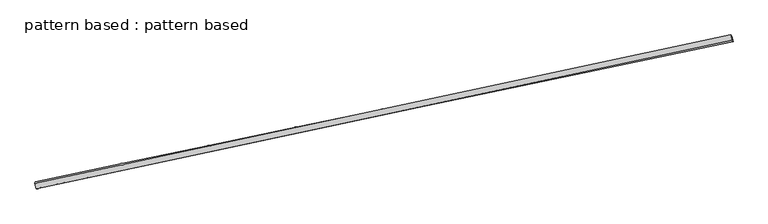
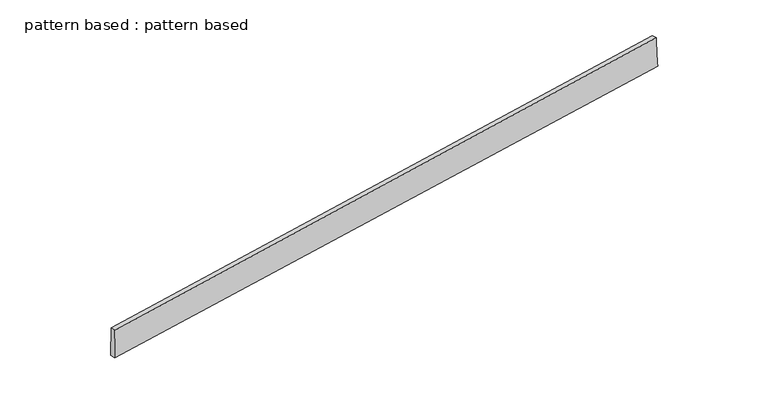
"""IFC4 building model written with IfcOpenShell, lengths in millimetres: plate geometry, pattern based : pattern based."""

from ifc_helpers import new_model, si_unit, frame, origin, place, context, project, spatial, source, transform, mapped, element, save
from ifc_brep_helpers import plane_surface, spline_surface, advanced_brep


def pattern_based_pattern_based_1f810fcc(model_context):
    return source(origin(), model_context, "Body", "AdvancedBrep", [
        advanced_brep(
        [(3328.2498051, 3328.2498051, -34.1144543), (3326.3086537, 3321.9153476, 115.7391629), (3321.1308372, 3346.3732452, 115.7009871), (3323.0719885, 3352.7077027, -34.1526301), (6445.5334563, 3988.5290745, 183.8386121), (6440.3556398, 4012.9869722, 183.8004363), (6449.9476076, 3983.0722771, 34.0029066), (6444.7697911, 4007.5301748, 33.9647309)],
        [
            (0, 1),
            (1, 2),
            (2, 3),
            (3, 0),
            (1, 4),
            (4, 5),
            (5, 2),
            (4, 6),
            (6, 7),
            (7, 5),
            (6, 0),
            (3, 7),
        ],
        [
            plane_surface(frame((3327.2792294, 3325.0825763, 40.8123543), z_axis=(-0.9780857280375768, -0.20709737179149504, -0.021423986703199827), x_axis=(-0.012941008807243484, -0.04222971662315666, 0.9990241144862214))),
            plane_surface(frame((4885.921055, 3655.222211, 149.7888875), z_axis=(-0.021201445535526855, -0.0029278955723658637, 0.9997709368323935), x_axis=(0.9776945403136543, 0.20894441490046223, 0.02134519437193556))),
            plane_surface(frame((6447.7405319, 3985.8006758, 108.9207594), z_axis=(0.9780889459288228, 0.207097816178625, 0.021272244495793582), x_axis=(0.029427675306780875, -0.0363786494203702, -0.9989047030584992))),
            plane_surface(frame((4889.0987063, 3655.6610411, -0.0557738), z_axis=(0.02120144553552684, 0.002927895572365861, -0.9997709368323936), x_axis=(-0.9784766578869253, -0.2052500095975745, -0.021350960883034075))),
            spline_surface(1, 1, [[(3321.1308372, 3346.3732452, 115.7009871), (3323.0719885, 3352.7077027, -34.1526301)], [(6440.3556398, 4012.9869722, 183.8004363), (6444.7697911, 4007.5301748, 33.9647309)]], [2, 2], [2, 2], [0.0, 1.0], [0.0, 1.0]),
            spline_surface(1, 1, [[(6449.9476076, 3983.0722771, 34.0029066), (3328.2498051, 3328.2498051, -34.1144543)], [(6445.5334563, 3988.5290745, 183.8386121), (3326.3086537, 3321.9153476, 115.7391629)]], [2, 2], [2, 2], [0.0, 1.0], [0.0, 1.0]),
        ],
        [
            (0, [[1, 2, 3, 4]]),
            (1, [[5, 6, 7, -2]]),
            (2, [[8, 9, 10, -6]]),
            (3, [[11, -4, 12, -9]]),
            (4, [[-3, -7, -10, -12]]),
            (5, [[-11, -8, -5, -1]]),
        ],
    ),
    ])


if __name__ == "__main__":
    model = new_model("IFC4")
    model_context = context("Model", 3, world=origin())
    ifc_project = project(units=[si_unit("LENGTHUNIT", "METRE", prefix="MILLI")], contexts=[model_context])
    site = spatial("IfcSite", under=ifc_project)
    building = spatial("IfcBuilding", under=site)
    placement = place(None, origin())
    pattern_based_pattern_based_shape = pattern_based_pattern_based_1f810fcc(model_context)
    element("IfcPlate", 1, ObjectType="pattern based : pattern based", at=placement, inside=building, context=model_context, shape_type="MappedRepresentation", body=[
        mapped(pattern_based_pattern_based_shape, transform((0.0, 0.0, 0.0), x_axis=(1.0, 0.0, 0.0), y_axis=(0.0, 1.0, 0.0), z_axis=(0.0, 0.0, 1.0))),
    ])
    save(model, "model.ifc")
